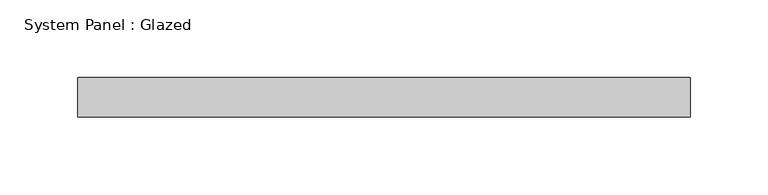
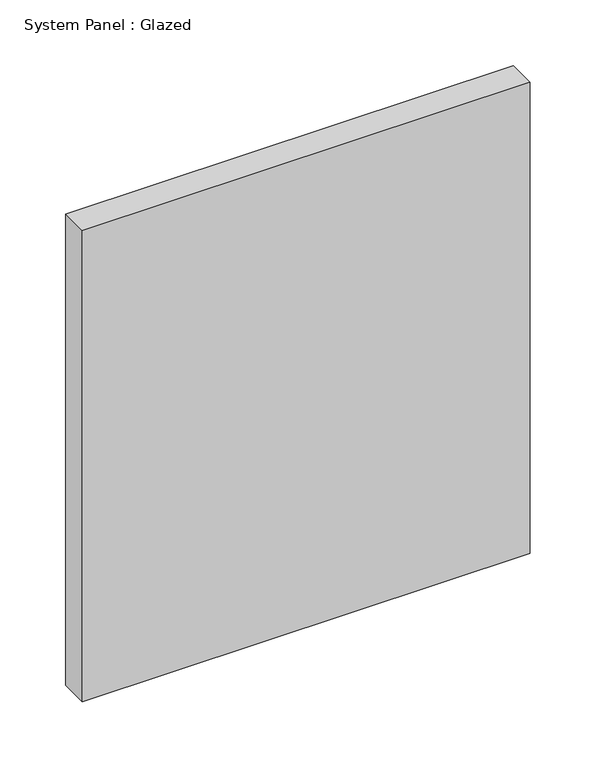
"""IFC4 building model written with IfcOpenShell, lengths in millimetres: plate geometry, System Panel : Glazed."""

from ifc_helpers import new_model, si_unit, origin, origin_with_axes, place, context, project, spatial, polyline, outline, extrude, source, transform, mapped, element, save


def system_panel_glazed_aa76b5ef(model_context):
    return source(origin(), model_context, "Body", "SweptSolid", [
        extrude(outline(polyline([(196.85, 19.05), (-196.85, 19.05), (-196.85, 44.45), (196.85, 44.45), (196.85, 19.05)])), origin_with_axes(), (0.0, 0.0, 1.0), 438.15),
    ])


if __name__ == "__main__":
    model = new_model("IFC4")
    model_context = context("Model", 3, world=origin())
    ifc_project = project(units=[si_unit("LENGTHUNIT", "METRE", prefix="MILLI")], contexts=[model_context])
    site = spatial("IfcSite", under=ifc_project)
    building = spatial("IfcBuilding", under=site)
    placement = place(None, origin())
    system_panel_glazed_shape = system_panel_glazed_aa76b5ef(model_context)
    element("IfcPlate", 1, ObjectType="System Panel : Glazed", at=placement, inside=building, context=model_context, shape_type="MappedRepresentation", body=[
        mapped(system_panel_glazed_shape, transform((0.0, 0.0, 0.0), x_axis=(1.0, 0.0, 0.0), y_axis=(0.0, 1.0, 0.0), z_axis=(0.0, 0.0, 1.0))),
    ])
    save(model, "model.ifc")
